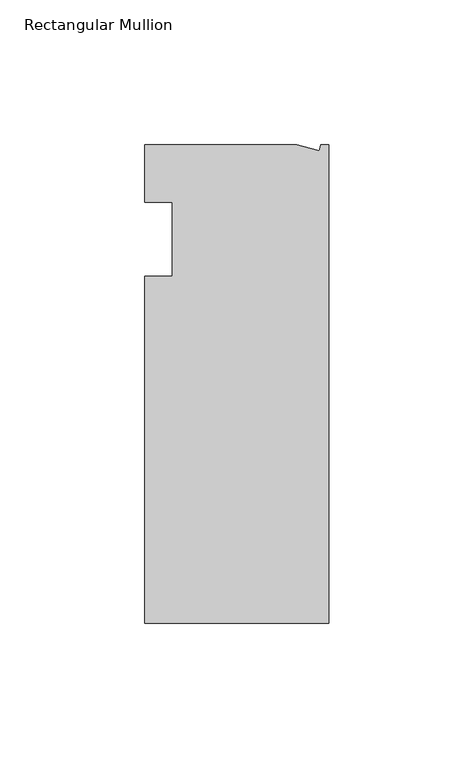
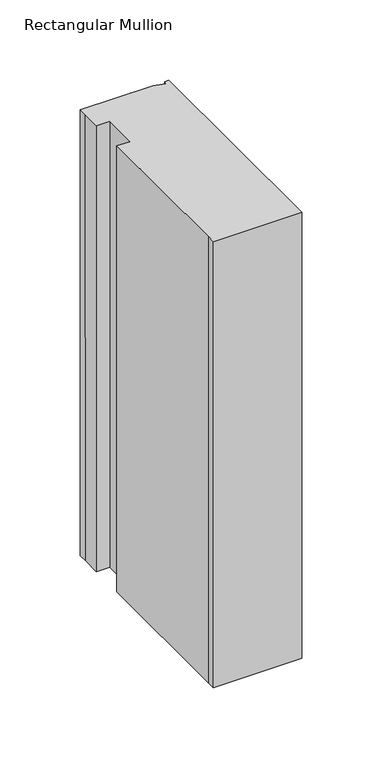
"""IFC4 building model written with IfcOpenShell, lengths in millimetres: member geometry, Rectangular Mullion."""

from ifc_helpers import new_model, si_unit, origin, place, context, project, spatial, faceted_brep, source, transform, mapped, element, save


def rectangular_mullion_f24f1f20(model_context):
    return source(origin(), model_context, "Body", "Brep", [
        faceted_brep([(0.0, -132.5561012, 0.0), (0.0, 32.5438988, 0.0), (-2.7630634, 32.5438988, 0.0), (-3.3223696, 30.4565397, 0.0), (-11.1125, 32.5438988, 0.0), (-63.5076469, 32.5438988, 0.0), (-63.5076469, 26.1938988, 0.0), (-63.5, 12.7, 0.0), (-53.975, 12.7, 0.0), (-53.975, -12.8488281, 0.0), (-63.5, -12.8488281, 0.0), (-63.5, -126.2061012, 0.0), (-63.5, -132.5561012, 0.0), (0.0, -132.5561012, -338.6666667), (-63.5, -132.5561012, -338.6666667), (-63.5, -126.2061012, -338.6666667), (-63.5, -12.8488281, -338.6666667), (-53.975, -12.8488281, -338.6666667), (-53.975, 12.7, -338.6666667), (-63.5, 12.7, -338.6666667), (-63.5, 26.1938988, -338.6666667), (-63.5076469, 32.5438988, -338.6666667), (-11.1125, 32.5438988, -338.6666667), (-3.3223696, 30.4565397, -338.6666667), (-2.7630634, 32.5438988, -338.6666667), (0.0, 32.5438988, -338.6666667)], [[[0, 1, 2, 3, 4, 5, 6, 7, 8, 9, 10, 11, 12]], [[13, 14, 15, 16, 17, 18, 19, 20, 21, 22, 23, 24, 25]], [[7, 6, 20, 19]], [[8, 7, 19, 18]], [[9, 8, 18, 17]], [[10, 9, 17, 16]], [[11, 10, 16, 15]], [[0, 12, 14, 13]], [[1, 0, 13, 25]], [[2, 1, 25, 24]], [[3, 2, 24, 23]], [[4, 3, 23, 22]], [[5, 4, 22, 21]], [[6, 5, 21, 20]], [[12, 11, 15, 14]]]),
    ])


if __name__ == "__main__":
    model = new_model("IFC4")
    model_context = context("Model", 3, world=origin())
    ifc_project = project(units=[si_unit("LENGTHUNIT", "METRE", prefix="MILLI")], contexts=[model_context])
    site = spatial("IfcSite", under=ifc_project)
    building = spatial("IfcBuilding", under=site)
    placement = place(None, origin())
    rectangular_mullion_shape = rectangular_mullion_f24f1f20(model_context)
    element("IfcMember", 1, ObjectType="Rectangular Mullion", at=placement, inside=building, context=model_context, shape_type="MappedRepresentation", body=[
        mapped(rectangular_mullion_shape, transform((0.0, 0.0, 0.0), x_axis=(1.0, 0.0, 0.0), y_axis=(0.0, 1.0, 0.0), z_axis=(0.0, 0.0, 1.0))),
    ])
    save(model, "model.ifc")
